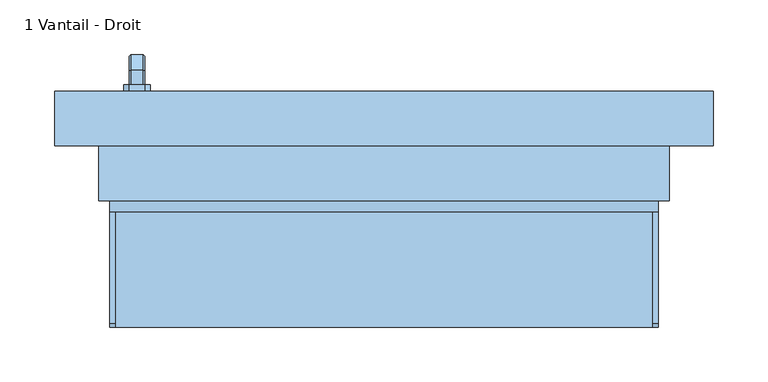
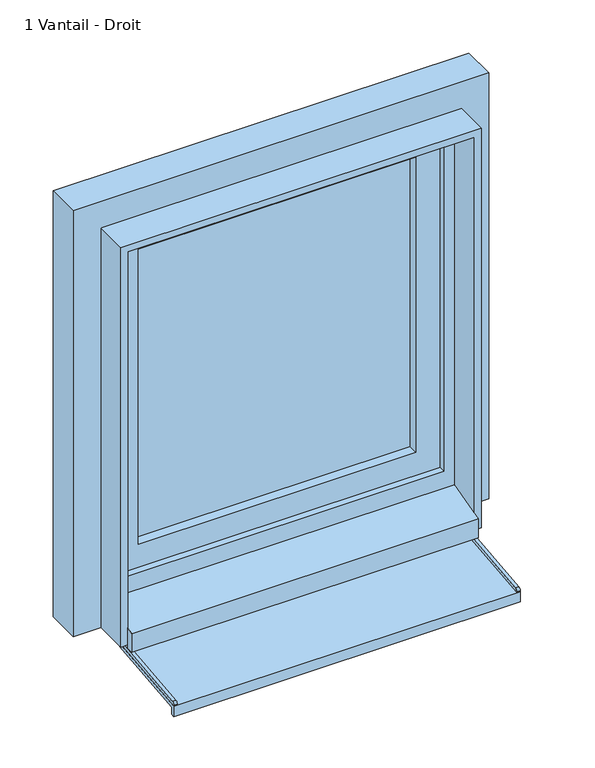
"""IFC4 building model written with IfcOpenShell, lengths in millimetres: window geometry, 1 Vantail - Droit."""

from ifc_helpers import new_model, si_unit, point, frame, frame_2d, origin, place, context, project, spatial, polyline, circle_curve, trimmed, segment, composite_curve, outline, extrude, faceted_brep, source, transform, mapped, element, save


def window_1_vantail_droit_87005273(model_context):
    return source(origin(), model_context, "Body", "SolidModel", [
        faceted_brep([(-219.3539903, 106.0, 1422.0339292), (-230.6460097, 106.0, 1422.0339292), (-232.0339292, 106.0, 1420.6460097), (-232.0339292, 106.0, 1409.3323012), (-230.6676988, 106.0, 1407.9660708), (-219.3323012, 106.0, 1407.9660708), (-217.9660708, 106.0, 1409.3323012), (-217.9660708, 106.0, 1420.6460097), (-217.9660708, 118.3386538, 1420.6460097), (-219.3539903, 118.9135489, 1422.0339292), (-217.9660708, 113.6523623, 1409.3323012), (-217.9660708, 120.3323012, 1402.6523623), (-217.9660708, 120.3323012, 1320.0), (-217.9660708, 131.6460097, 1320.0), (-217.9660708, 131.6460097, 1407.3386538), (-219.3323012, 113.0864511, 1407.9660708), (-230.6676988, 113.0864511, 1407.9660708), (-232.0339292, 113.6523623, 1409.3323012), (-232.0339292, 118.3386538, 1420.6460097), (-232.0339292, 131.6460097, 1407.3386538), (-232.0339292, 131.6460097, 1320.0), (-232.0339292, 120.3323012, 1320.0), (-232.0339292, 120.3323012, 1402.6523623), (-230.6460097, 118.9135489, 1422.0339292), (-219.3539903, 133.0339292, 1407.9135489), (-219.3323012, 118.9660708, 1402.0864511), (-230.6676988, 118.9660708, 1402.0864511), (-230.6460097, 133.0339292, 1407.9135489), (-219.3539903, 133.0339292, 1320.0), (-219.3323012, 118.9660708, 1320.0), (-230.6676988, 118.9660708, 1320.0), (-230.6460097, 133.0339292, 1320.0)], [[[0, 1, 2, 3, 4, 5, 6, 7]], [[7, 8, 9, 0]], [[6, 10, 11, 12, 13, 14, 8, 7]], [[5, 15, 10, 6]], [[4, 16, 15, 5]], [[3, 17, 16, 4]], [[2, 18, 19, 20, 21, 22, 17, 3]], [[1, 23, 18, 2]], [[0, 9, 23, 1]], [[8, 14, 24, 9]], [[15, 25, 11, 10]], [[16, 26, 25, 15]], [[17, 22, 26, 16]], [[23, 27, 19, 18]], [[9, 24, 27, 23]], [[28, 13, 12, 29, 30, 21, 20, 31]], [[14, 13, 28, 24]], [[25, 29, 12, 11]], [[26, 30, 29, 25]], [[22, 21, 30, 26]], [[27, 31, 20, 19]], [[24, 28, 31, 27]]]),
        extrude(outline(polyline([(1440.0, -218.0), (1440.0, -232.0), (1435.0, -237.0), (1365.0, -237.0), (1360.0, -232.0), (1360.0, -218.0), (1365.0, -213.0), (1435.0, -213.0), (1440.0, -218.0)])), frame((0.0, 100.0, 0.0), z_axis=(0.0, 1.0, 0.0), x_axis=(0.0, 0.0, 1.0)), (0.0, 0.0, 1.0), 6.0),
        extrude(outline(polyline([(-115.0, 776.06614), (15.0, 789.7296906), (15.0, 800.0), (20.0, 800.0), (20.0, 785.0), (-110.0, 771.3364494), (-110.0, 761.0359447), (-115.0, 760.5104235), (-115.0, 776.06614)])), frame((-250.0, 0.0, 0.0), z_axis=(1.0, 0.0, 0.0), x_axis=(0.0, 1.0, 0.0)), (0.0, 0.0, 1.0), 500.0),
        extrude(outline(composite_curve([segment(polyline([(-115.0, 776.06614), (-115.0, 777.4920652)]), True, "CONTINUOUS"), segment(trimmed(circle_curve(frame_2d((-111.0, 777.4920652)), 4.0), [point((-115.0, 777.4920652))], [point((-111.4181139, 781.4701528))], False, "CARTESIAN"), True, "CONTINUOUS"), segment(polyline([(-111.4181139, 781.4701528), (15.0, 794.757232), (15.0, 789.7296906), (-115.0, 776.06614)]), True, "CONTINUOUS")], self_intersect=False)), frame((-250.0, 0.0, 0.0), z_axis=(1.0, 0.0, 0.0), x_axis=(0.0, 1.0, 0.0)), (0.0, 0.0, 1.0), 5.0),
        extrude(outline(composite_curve([segment(polyline([(-115.0, 776.06614), (-115.0, 777.4920652)]), True, "CONTINUOUS"), segment(trimmed(circle_curve(frame_2d((-111.0, 777.4920652)), 4.0), [point((-115.0, 777.4920652))], [point((-111.4181139, 781.4701528))], False, "CARTESIAN"), True, "CONTINUOUS"), segment(polyline([(-111.4181139, 781.4701528), (15.0, 794.757232), (15.0, 789.7296906), (-115.0, 776.06614)]), True, "CONTINUOUS")], self_intersect=False)), frame((245.0, 0.0, 0.0), z_axis=(1.0, 0.0, 0.0), x_axis=(0.0, 1.0, 0.0)), (0.0, 0.0, 1.0), 5.0),
        extrude(outline(polyline([(850.0, -250.0), (850.0, 250.0), (1400.0, 250.0), (1400.0, -250.0), (850.0, -250.0)]), holes=[polyline([(900.0, 200.0), (900.0, -200.0), (1350.0, -200.0), (1350.0, 200.0), (900.0, 200.0)])]), frame((0.0, 60.0, 0.0), z_axis=(0.0, 1.0, 0.0), x_axis=(0.0, 0.0, 1.0)), (0.0, 0.0, 1.0), 40.0),
        faceted_brep([(-300.0, 100.0, 800.0), (300.0, 100.0, 800.0), (300.0, 50.0, 800.0), (250.0, 50.0, 800.0), (250.0, 0.0, 800.0), (-250.0, 0.0, 800.0), (-250.0, 50.0, 800.0), (-300.0, 50.0, 800.0), (-300.0, 50.0, 1450.0), (-300.0, 100.0, 1450.0), (-250.0, 50.0, 839.3761425), (250.0, 50.0, 839.3761425), (300.0, 50.0, 1450.0), (-235.0, 50.0, 1385.0), (235.0, 50.0, 1385.0), (235.0, 50.0, 865.0), (-235.0, 50.0, 865.0), (-250.0, 0.0, 795.0), (-250.0, -10.0, 795.0), (-250.0, -10.0, 823.2991909), (250.0, 0.0, 795.0), (250.0, -10.0, 823.2991909), (250.0, -10.0, 795.0), (300.0, 100.0, 1450.0), (250.0, 100.0, 1400.0), (-250.0, 100.0, 1400.0), (-250.0, 100.0, 850.0), (250.0, 100.0, 850.0), (-235.0, 60.0, 865.0), (-235.0, 60.0, 1385.0), (235.0, 60.0, 865.0), (235.0, 60.0, 1385.0), (250.0, 60.0, 1400.0), (250.0, 60.0, 850.0), (-250.0, 60.0, 850.0), (-250.0, 60.0, 1400.0)], [[[0, 1, 2, 3, 4, 5, 6, 7]], [[7, 8, 9, 0]], [[7, 6, 10, 11, 3, 2, 12, 8], [13, 14, 15, 16]], [[10, 6, 5, 17, 18, 19]], [[5, 4, 20, 17]], [[4, 3, 11, 21, 22, 20]], [[2, 1, 23, 12]], [[0, 9, 23, 1], [24, 25, 26, 27]], [[13, 16, 28, 29]], [[28, 16, 15, 30]], [[31, 30, 15, 14]], [[19, 21, 11, 10]], [[32, 33, 34, 35], [29, 28, 30, 31]], [[34, 26, 25, 35]], [[26, 34, 33, 27]], [[24, 27, 33, 32]], [[18, 22, 21, 19]], [[17, 20, 22, 18]], [[13, 29, 31, 14]], [[35, 25, 24, 32]], [[12, 23, 9, 8]]]),
        extrude(outline(polyline([(800.0, -250.0), (1400.0, -250.0), (1400.0, 250.0), (800.0, 250.0), (800.0, 260.0), (1410.0, 260.0), (1410.0, -260.0), (800.0, -260.0), (800.0, -250.0)])), frame((0.0, 0.0, 0.0), z_axis=(0.0, 1.0, 0.0), x_axis=(0.0, 0.0, 1.0)), (0.0, 0.0, 1.0), 50.0),
        extrude(outline(polyline([(-200.0, 74.0), (-200.0, 86.0), (200.0, 86.0), (200.0, 74.0), (-200.0, 74.0)])), frame((0.0, 0.0, 900.0), z_axis=(0.0, 0.0, 1.0), x_axis=(1.0, 0.0, 0.0)), (0.0, 0.0, 1.0), 450.0),
    ])


if __name__ == "__main__":
    model = new_model("IFC4")
    model_context = context("Model", 3, world=origin())
    ifc_project = project(units=[si_unit("LENGTHUNIT", "METRE", prefix="MILLI")], contexts=[model_context])
    site = spatial("IfcSite", under=ifc_project)
    building = spatial("IfcBuilding", under=site)
    placement = place(None, origin())
    window_1_vantail_droit_shape = window_1_vantail_droit_87005273(model_context)
    element("IfcWindow", 1, ObjectType="1 Vantail - Droit", at=placement, inside=building, context=model_context, shape_type="MappedRepresentation", body=[
        mapped(window_1_vantail_droit_shape, transform((0.0, 0.0, 0.0), x_axis=(1.0, 0.0, 0.0), y_axis=(0.0, 1.0, 0.0), z_axis=(0.0, 0.0, 1.0))),
    ])
    save(model, "model.ifc")
